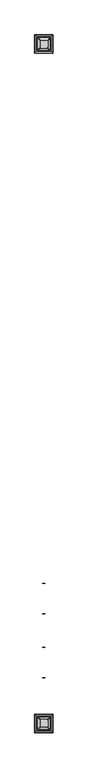
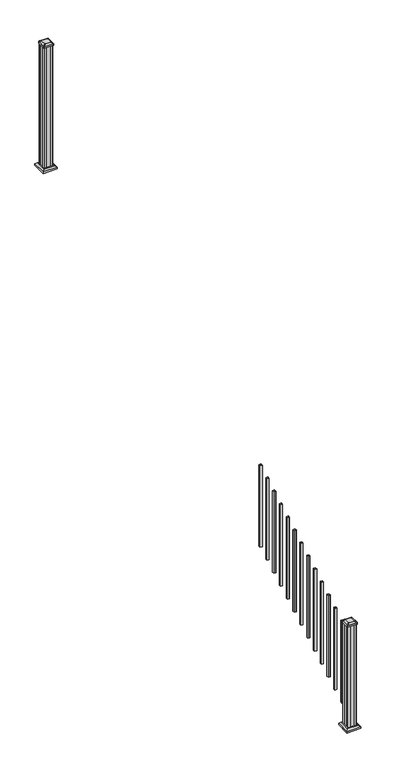
"""IFC4 building model written with IfcOpenShell, lengths in millimetres: railing geometry."""

from ifc_helpers import new_model, si_unit, point, frame, frame_2d, origin, place, context, project, spatial, polyline, circle_curve, trimmed, segment, composite_curve, outline, extrude, faceted_brep, source, transform, mapped, element, save
from ifc_brep_helpers import plane_surface, extruded_surface, advanced_brep


def railing_c140cbff(model_context):
    return source(origin(), model_context, "Body", "SolidModel", [
        extrude(outline(polyline([(7607.1192659, 3183.9180319), (7588.0692659, 3183.9180319), (7588.0692659, 3202.9680319), (7607.1192659, 3202.9680319), (7607.1192659, 3183.9180319)]), holes=[polyline([(7606.7223909, 3184.3149069), (7606.7223909, 3202.5711569), (7588.4661409, 3202.5711569), (7588.4661409, 3184.3149069), (7606.7223909, 3184.3149069)])]), frame((0.0, 0.0, 1056.7417114), z_axis=(0.0, 0.0, 1.0), x_axis=(1.0, 0.0, 0.0)), (0.0, 0.0, 1.0), 812.8041219),
        extrude(outline(polyline([(7607.1192659, 3072.7930319), (7588.0692659, 3072.7930319), (7588.0692659, 3091.8430319), (7607.1192659, 3091.8430319), (7607.1192659, 3072.7930319)]), holes=[polyline([(7606.7223909, 3073.1899069), (7606.7223909, 3091.4461569), (7588.4661409, 3091.4461569), (7588.4661409, 3073.1899069), (7606.7223909, 3073.1899069)])]), frame((0.0, 0.0, 995.0056003), z_axis=(0.0, 0.0, 1.0), x_axis=(1.0, 0.0, 0.0)), (0.0, 0.0, 1.0), 812.8041219),
        extrude(outline(polyline([(7607.1192659, 2961.6680319), (7588.0692659, 2961.6680319), (7588.0692659, 2980.7180319), (7607.1192659, 2980.7180319), (7607.1192659, 2961.6680319)]), holes=[polyline([(7606.7223909, 2962.0649069), (7606.7223909, 2980.3211569), (7588.4661409, 2980.3211569), (7588.4661409, 2962.0649069), (7606.7223909, 2962.0649069)])]), frame((0.0, 0.0, 933.2694892), z_axis=(0.0, 0.0, 1.0), x_axis=(1.0, 0.0, 0.0)), (0.0, 0.0, 1.0), 812.8041219),
        extrude(outline(polyline([(7607.1192659, 2850.5430319), (7588.0692659, 2850.5430319), (7588.0692659, 2869.5930319), (7607.1192659, 2869.5930319), (7607.1192659, 2850.5430319)]), holes=[polyline([(7606.7223909, 2850.9399069), (7606.7223909, 2869.1961569), (7588.4661409, 2869.1961569), (7588.4661409, 2850.9399069), (7606.7223909, 2850.9399069)])]), frame((0.0, 0.0, 871.5333781), z_axis=(0.0, 0.0, 1.0), x_axis=(1.0, 0.0, 0.0)), (0.0, 0.0, 1.0), 812.8041219),
        extrude(outline(polyline([(7607.1192659, 2739.4180319), (7588.0692659, 2739.4180319), (7588.0692659, 2758.4680319), (7607.1192659, 2758.4680319), (7607.1192659, 2739.4180319)]), holes=[polyline([(7606.7223909, 2739.8149069), (7606.7223909, 2758.0711569), (7588.4661409, 2758.0711569), (7588.4661409, 2739.8149069), (7606.7223909, 2739.8149069)])]), frame((0.0, 0.0, 809.797267), z_axis=(0.0, 0.0, 1.0), x_axis=(1.0, 0.0, 0.0)), (0.0, 0.0, 1.0), 812.8041219),
        extrude(outline(polyline([(7607.1192659, 2628.2930319), (7588.0692659, 2628.2930319), (7588.0692659, 2647.3430319), (7607.1192659, 2647.3430319), (7607.1192659, 2628.2930319)]), holes=[polyline([(7606.7223909, 2628.6899069), (7606.7223909, 2646.9461569), (7588.4661409, 2646.9461569), (7588.4661409, 2628.6899069), (7606.7223909, 2628.6899069)])]), frame((0.0, 0.0, 748.0611558), z_axis=(0.0, 0.0, 1.0), x_axis=(1.0, 0.0, 0.0)), (0.0, 0.0, 1.0), 812.8041219),
        extrude(outline(polyline([(7607.1192659, 2517.1680319), (7588.0692659, 2517.1680319), (7588.0692659, 2536.2180319), (7607.1192659, 2536.2180319), (7607.1192659, 2517.1680319)]), holes=[polyline([(7606.7223909, 2517.5649069), (7606.7223909, 2535.8211569), (7588.4661409, 2535.8211569), (7588.4661409, 2517.5649069), (7606.7223909, 2517.5649069)])]), frame((0.0, 0.0, 686.3250447), z_axis=(0.0, 0.0, 1.0), x_axis=(1.0, 0.0, 0.0)), (0.0, 0.0, 1.0), 812.8041219),
        extrude(outline(polyline([(7607.1192659, 2406.0430319), (7588.0692659, 2406.0430319), (7588.0692659, 2425.0930319), (7607.1192659, 2425.0930319), (7607.1192659, 2406.0430319)]), holes=[polyline([(7606.7223909, 2406.4399069), (7606.7223909, 2424.6961569), (7588.4661409, 2424.6961569), (7588.4661409, 2406.4399069), (7606.7223909, 2406.4399069)])]), frame((0.0, 0.0, 624.5889336), z_axis=(0.0, 0.0, 1.0), x_axis=(1.0, 0.0, 0.0)), (0.0, 0.0, 1.0), 812.8041219),
        extrude(outline(polyline([(7607.1192659, 2294.9180319), (7588.0692659, 2294.9180319), (7588.0692659, 2313.9680319), (7607.1192659, 2313.9680319), (7607.1192659, 2294.9180319)]), holes=[polyline([(7606.7223909, 2295.3149069), (7606.7223909, 2313.5711569), (7588.4661409, 2313.5711569), (7588.4661409, 2295.3149069), (7606.7223909, 2295.3149069)])]), frame((0.0, 0.0, 562.8528225), z_axis=(0.0, 0.0, 1.0), x_axis=(1.0, 0.0, 0.0)), (0.0, 0.0, 1.0), 812.8041219),
        extrude(outline(polyline([(7607.1192659, 2183.7930319), (7588.0692659, 2183.7930319), (7588.0692659, 2202.8430319), (7607.1192659, 2202.8430319), (7607.1192659, 2183.7930319)]), holes=[polyline([(7606.7223909, 2184.1899069), (7606.7223909, 2202.4461569), (7588.4661409, 2202.4461569), (7588.4661409, 2184.1899069), (7606.7223909, 2184.1899069)])]), frame((0.0, 0.0, 501.1167114), z_axis=(0.0, 0.0, 1.0), x_axis=(1.0, 0.0, 0.0)), (0.0, 0.0, 1.0), 812.8041219),
        extrude(outline(polyline([(7607.1192659, 2072.6680319), (7588.0692659, 2072.6680319), (7588.0692659, 2091.7180319), (7607.1192659, 2091.7180319), (7607.1192659, 2072.6680319)]), holes=[polyline([(7606.7223909, 2073.0649069), (7606.7223909, 2091.3211569), (7588.4661409, 2091.3211569), (7588.4661409, 2073.0649069), (7606.7223909, 2073.0649069)])]), frame((0.0, 0.0, 439.3806003), z_axis=(0.0, 0.0, 1.0), x_axis=(1.0, 0.0, 0.0)), (0.0, 0.0, 1.0), 812.8041219),
        extrude(outline(polyline([(7607.1192659, 1961.5430319), (7588.0692659, 1961.5430319), (7588.0692659, 1980.5930319), (7607.1192659, 1980.5930319), (7607.1192659, 1961.5430319)]), holes=[polyline([(7606.7223909, 1961.9399069), (7606.7223909, 1980.1961569), (7588.4661409, 1980.1961569), (7588.4661409, 1961.9399069), (7606.7223909, 1961.9399069)])]), frame((0.0, 0.0, 377.6444892), z_axis=(0.0, 0.0, 1.0), x_axis=(1.0, 0.0, 0.0)), (0.0, 0.0, 1.0), 812.8041219),
        extrude(outline(polyline([(7607.1192659, 1850.4180319), (7588.0692659, 1850.4180319), (7588.0692659, 1869.4680319), (7607.1192659, 1869.4680319), (7607.1192659, 1850.4180319)]), holes=[polyline([(7606.7223909, 1850.8149069), (7606.7223909, 1869.0711569), (7588.4661409, 1869.0711569), (7588.4661409, 1850.8149069), (7606.7223909, 1850.8149069)])]), frame((0.0, 0.0, 315.9083781), z_axis=(0.0, 0.0, 1.0), x_axis=(1.0, 0.0, 0.0)), (0.0, 0.0, 1.0), 812.8041219),
        extrude(outline(polyline([(7557.9067659, 6655.7805319), (7556.3192659, 6657.3680319), (7556.3192659, 6676.9895319), (7557.9067659, 6677.7515319), (7557.9067659, 6716.3595319), (7556.3192659, 6717.1215319), (7556.3192659, 6736.7430319), (7557.9067659, 6738.3305319), (7577.5282659, 6738.3305319), (7578.2902659, 6736.7430319), (7616.8982659, 6736.7430319), (7617.6602659, 6738.3305319), (7637.2817659, 6738.3305319), (7638.8692659, 6736.7430319), (7638.8692659, 6717.1215319), (7637.2817659, 6716.3595319), (7637.2817659, 6677.7515319), (7638.8692659, 6676.9895319), (7638.8692659, 6657.3680319), (7637.2817659, 6655.7805319), (7617.6602659, 6655.7805319), (7616.8982659, 6657.3680319), (7578.2902659, 6657.3680319), (7577.5282659, 6655.7805319), (7557.9067659, 6655.7805319)])), frame((0.0, 0.0, 2709.3333333), z_axis=(0.0, 0.0, 1.0), x_axis=(1.0, 0.0, 0.0)), (0.0, 0.0, 1.0), 1223.6281519),
        faceted_brep([(7650.1802034, 6644.4695944, 2737.9083333), (7650.1802034, 6749.6414694, 2737.9083333), (7545.0083284, 6749.6414694, 2737.9083333), (7545.0083284, 6644.4695944, 2737.9083333), (7664.2196565, 6630.4301413, 2724.5733333), (7530.9688753, 6630.4301413, 2724.5733333), (7530.9688753, 6763.6809225, 2724.5733333), (7664.2196565, 6763.6809225, 2724.5733333)], [[[0, 1, 2, 3]], [[4, 5, 6, 7]], [[4, 0, 3, 5]], [[5, 3, 2, 6]], [[6, 2, 1, 7]], [[7, 1, 0, 4]]]),
        extrude(outline(polyline([(7664.2196565, 6630.4301413), (7530.9688753, 6630.4301413), (7530.9688753, 6763.6809225), (7664.2196565, 6763.6809225), (7664.2196565, 6630.4301413)])), frame((0.0, 0.0, 2709.3333333), z_axis=(0.0, 0.0, 1.0), x_axis=(1.0, 0.0, 0.0)), (0.0, 0.0, 1.0), 15.24),
        advanced_brep(
        [(7571.7973909, 6668.0836569, 3961.5364852), (7623.3911409, 6668.0836569, 3961.5364852), (7626.5661409, 6671.2586569, 3961.5364852), (7626.5661409, 6722.8524069, 3961.5364852), (7623.3911409, 6726.0274069, 3961.5364852), (7571.7973909, 6726.0274069, 3961.5364852), (7568.6223909, 6722.8524069, 3961.5364852), (7568.6223909, 6671.2586569, 3961.5364852), (7555.5255159, 6651.8117819, 3950.2334852), (7552.3505159, 6654.9867819, 3950.2334852), (7552.3505159, 6739.1242819, 3950.2334852), (7555.5255159, 6742.2992819, 3950.2334852), (7639.6630159, 6742.2992819, 3950.2334852), (7642.8380159, 6739.1242819, 3950.2334852), (7642.8380159, 6654.9867819, 3950.2334852), (7639.6630159, 6651.8117819, 3950.2334852)],
        [
            (0, 1),
            (1, 2, circle_curve(frame((7623.3911409, 6671.2586569, 3961.5364852), z_axis=(0.0, 0.0, 1.0), x_axis=(0.0, 1.0, 0.0)), 3.175)),
            (2, 3),
            (3, 4, circle_curve(frame((7623.3911409, 6722.8524069, 3961.5364852), z_axis=(0.0, 0.0, 1.0), x_axis=(0.0, 1.0, 0.0)), 3.175)),
            (4, 5),
            (5, 6, circle_curve(frame((7571.7973909, 6722.8524069, 3961.5364852), z_axis=(0.0, 0.0, 1.0), x_axis=(0.0, 1.0, 0.0)), 3.175)),
            (6, 7),
            (7, 0, circle_curve(frame((7571.7973909, 6671.2586569, 3961.5364852), z_axis=(0.0, 0.0, 1.0), x_axis=(0.0, 1.0, 0.0)), 3.175)),
            (8, 9, circle_curve(frame((7555.5255159, 6654.9867819, 3950.2334852), z_axis=(0.0, 0.0, -1.0), x_axis=(0.0, 1.0, 0.0)), 3.175)),
            (9, 10),
            (10, 11, circle_curve(frame((7555.5255159, 6739.1242819, 3950.2334852), z_axis=(0.0, 0.0, -1.0), x_axis=(0.0, 1.0, 0.0)), 3.175)),
            (11, 12),
            (12, 13, circle_curve(frame((7639.6630159, 6739.1242819, 3950.2334852), z_axis=(0.0, 0.0, -1.0), x_axis=(0.0, 1.0, 0.0)), 3.175)),
            (13, 14),
            (14, 15, circle_curve(frame((7639.6630159, 6654.9867819, 3950.2334852), z_axis=(0.0, 0.0, -1.0), x_axis=(0.0, 1.0, 0.0)), 3.175)),
            (15, 8),
            (8, 0),
            (7, 9),
            (6, 10),
            (5, 11),
            (4, 12),
            (3, 13),
            (2, 14),
            (1, 15),
        ],
        [
            plane_surface(frame((7597.5942659, 6697.0555319, 3961.5364852), z_axis=(0.0, 0.0, 1.0), x_axis=(-1.0, 0.0, 0.0))),
            plane_surface(frame((7597.5942659, 6697.0555319, 3950.2334852), z_axis=(0.0, 0.0, -1.0), x_axis=(-1.0, 0.0, 0.0))),
            extruded_surface(trimmed(circle_curve(frame((7571.7973909, 6671.2586569, 3961.5364852), z_axis=(0.0, 0.0, -1.0), x_axis=(0.0, 1.0, 0.0)), 3.175), [point((7571.7973909, 6668.0836569, 3961.5364852))], [point((7568.6223909, 6671.2586569, 3961.5364852))], True, "CARTESIAN"), (-16.271875000000364, -16.271874999999454, -11.302999999999884), 25.637972638865996),
            plane_surface(frame((7552.3505159, 6697.0555319, 3950.2334852), z_axis=(-0.5705009161540687, 0.0, 0.8212969649690472), x_axis=(0.0, 1.0, 0.0))),
            extruded_surface(trimmed(circle_curve(frame((7571.7973909, 6722.8524069, 3961.5364852), z_axis=(0.0, 0.0, -1.0), x_axis=(0.0, 1.0, 0.0)), 3.175), [point((7568.6223909, 6722.8524069, 3961.5364852))], [point((7571.7973909, 6726.0274069, 3961.5364852))], True, "CARTESIAN"), (-16.271875000000364, 16.271875000000364, -11.302999999999884), 25.63797263886657),
            plane_surface(frame((7597.5942659, 6742.2992819, 3950.2334852), z_axis=(0.0, 0.5705009161540291, 0.8212969649690747), x_axis=(1.0, 0.0, 0.0))),
            extruded_surface(trimmed(circle_curve(frame((7623.3911409, 6722.8524069, 3961.5364852), z_axis=(0.0, 0.0, -1.0), x_axis=(0.0, 1.0, 0.0)), 3.175), [point((7623.3911409, 6726.0274069, 3961.5364852))], [point((7626.5661409, 6722.8524069, 3961.5364852))], True, "CARTESIAN"), (16.271874999999454, 16.271875000000364, -11.302999999999884), 25.637972638865996),
            plane_surface(frame((7642.8380159, 6697.0555319, 3950.2334852), z_axis=(0.5705009161540233, 0.0, 0.8212969649690787), x_axis=(0.0, -1.0, 0.0))),
            extruded_surface(trimmed(circle_curve(frame((7623.3911409, 6671.2586569, 3961.5364852), z_axis=(0.0, 0.0, -1.0), x_axis=(0.0, 1.0, 0.0)), 3.175), [point((7626.5661409, 6671.2586569, 3961.5364852))], [point((7623.3911409, 6668.0836569, 3961.5364852))], True, "CARTESIAN"), (16.271874999999454, -16.271874999999454, -11.302999999999884), 25.63797263886542),
            plane_surface(frame((7597.5942659, 6651.8117819, 3950.2334852), z_axis=(0.0, -0.570500916154034, 0.8212969649690713), x_axis=(-1.0, 0.0, 0.0))),
        ],
        [
            (0, [[1, 2, 3, 4, 5, 6, 7, 8]]),
            (1, [[9, 10, 11, 12, 13, 14, 15, 16]]),
            (2, [[17, -8, 18, -9]]),
            (3, [[-18, -7, 19, -10]]),
            (4, [[-19, -6, 20, -11]]),
            (5, [[-20, -5, 21, -12]]),
            (6, [[-21, -4, 22, -13]]),
            (7, [[-22, -3, 23, -14]]),
            (8, [[-23, -2, 24, -15]]),
            (9, [[-24, -1, -17, -16]]),
        ],
    ),
        extrude(outline(composite_curve([segment(trimmed(circle_curve(frame_2d((7555.5255159, 6654.9867819)), 3.175), [point((7555.5255159, 6651.8117819))], [point((7552.3505159, 6654.9867819))], False, "CARTESIAN"), True, "CONTINUOUS"), segment(polyline([(7552.3505159, 6654.9867819), (7552.3505159, 6739.1242819)]), True, "CONTINUOUS"), segment(trimmed(circle_curve(frame_2d((7555.5255159, 6739.1242819)), 3.175), [point((7552.3505159, 6739.1242819))], [point((7555.5255159, 6742.2992819))], False, "CARTESIAN"), True, "CONTINUOUS"), segment(polyline([(7555.5255159, 6742.2992819), (7639.6630159, 6742.2992819)]), True, "CONTINUOUS"), segment(trimmed(circle_curve(frame_2d((7639.6630159, 6739.1242819)), 3.175), [point((7639.6630159, 6742.2992819))], [point((7642.8380159, 6739.1242819))], False, "CARTESIAN"), True, "CONTINUOUS"), segment(polyline([(7642.8380159, 6739.1242819), (7642.8380159, 6654.9867819)]), True, "CONTINUOUS"), segment(trimmed(circle_curve(frame_2d((7639.6630159, 6654.9867819)), 3.175), [point((7642.8380159, 6654.9867819))], [point((7639.6630159, 6651.8117819))], False, "CARTESIAN"), True, "CONTINUOUS"), segment(polyline([(7639.6630159, 6651.8117819), (7555.5255159, 6651.8117819)]), True, "CONTINUOUS")], self_intersect=False)), frame((0.0, 0.0, 3932.9614852), z_axis=(0.0, 0.0, 1.0), x_axis=(1.0, 0.0, 0.0)), (0.0, 0.0, 1.0), 17.272),
        faceted_brep([(7650.1802034, 1685.1195944, 174.9777778), (7650.1802034, 1790.2914694, 174.9777778), (7545.0083284, 1790.2914694, 174.9777778), (7545.0083284, 1685.1195944, 174.9777778), (7664.2196565, 1671.0801413, 161.6427778), (7530.9688753, 1671.0801413, 161.6427778), (7530.9688753, 1804.3309225, 161.6427778), (7664.2196565, 1804.3309225, 161.6427778)], [[[0, 1, 2, 3]], [[4, 5, 6, 7]], [[4, 0, 3, 5]], [[5, 3, 2, 6]], [[6, 2, 1, 7]], [[7, 1, 0, 4]]]),
        extrude(outline(polyline([(7664.2196565, 1671.0801413), (7530.9688753, 1671.0801413), (7530.9688753, 1804.3309225), (7664.2196565, 1804.3309225), (7664.2196565, 1671.0801413)])), frame((0.0, 0.0, 146.4027778), z_axis=(0.0, 0.0, 1.0), x_axis=(1.0, 0.0, 0.0)), (0.0, 0.0, 1.0), 15.24),
        advanced_brep(
        [(7571.7973909, 1708.7336569, 1206.3420408), (7623.3911409, 1708.7336569, 1206.3420408), (7626.5661409, 1711.9086569, 1206.3420408), (7626.5661409, 1763.5024069, 1206.3420408), (7623.3911409, 1766.6774069, 1206.3420408), (7571.7973909, 1766.6774069, 1206.3420408), (7568.6223909, 1763.5024069, 1206.3420408), (7568.6223909, 1711.9086569, 1206.3420408), (7555.5255159, 1692.4617819, 1195.0390408), (7552.3505159, 1695.6367819, 1195.0390408), (7552.3505159, 1779.7742819, 1195.0390408), (7555.5255159, 1782.9492819, 1195.0390408), (7639.6630159, 1782.9492819, 1195.0390408), (7642.8380159, 1779.7742819, 1195.0390408), (7642.8380159, 1695.6367819, 1195.0390408), (7639.6630159, 1692.4617819, 1195.0390408)],
        [
            (0, 1),
            (1, 2, circle_curve(frame((7623.3911409, 1711.9086569, 1206.3420408), z_axis=(0.0, 0.0, 1.0), x_axis=(0.0, 1.0, 0.0)), 3.175)),
            (2, 3),
            (3, 4, circle_curve(frame((7623.3911409, 1763.5024069, 1206.3420408), z_axis=(0.0, 0.0, 1.0), x_axis=(0.0, 1.0, 0.0)), 3.175)),
            (4, 5),
            (5, 6, circle_curve(frame((7571.7973909, 1763.5024069, 1206.3420408), z_axis=(0.0, 0.0, 1.0), x_axis=(0.0, 1.0, 0.0)), 3.175)),
            (6, 7),
            (7, 0, circle_curve(frame((7571.7973909, 1711.9086569, 1206.3420408), z_axis=(0.0, 0.0, 1.0), x_axis=(0.0, 1.0, 0.0)), 3.175)),
            (8, 9, circle_curve(frame((7555.5255159, 1695.6367819, 1195.0390408), z_axis=(0.0, 0.0, -1.0), x_axis=(0.0, 1.0, 0.0)), 3.175)),
            (9, 10),
            (10, 11, circle_curve(frame((7555.5255159, 1779.7742819, 1195.0390408), z_axis=(0.0, 0.0, -1.0), x_axis=(0.0, 1.0, 0.0)), 3.175)),
            (11, 12),
            (12, 13, circle_curve(frame((7639.6630159, 1779.7742819, 1195.0390408), z_axis=(0.0, 0.0, -1.0), x_axis=(0.0, 1.0, 0.0)), 3.175)),
            (13, 14),
            (14, 15, circle_curve(frame((7639.6630159, 1695.6367819, 1195.0390408), z_axis=(0.0, 0.0, -1.0), x_axis=(0.0, 1.0, 0.0)), 3.175)),
            (15, 8),
            (8, 0),
            (7, 9),
            (6, 10),
            (5, 11),
            (4, 12),
            (3, 13),
            (2, 14),
            (1, 15),
        ],
        [
            plane_surface(frame((7597.5942659, 1737.7055319, 1206.3420408), z_axis=(0.0, 0.0, 1.0), x_axis=(-1.0, 0.0, 0.0))),
            plane_surface(frame((7597.5942659, 1737.7055319, 1195.0390408), z_axis=(0.0, 0.0, -1.0), x_axis=(-1.0, 0.0, 0.0))),
            extruded_surface(trimmed(circle_curve(frame((7571.7973909, 1711.9086569, 1206.3420408), z_axis=(0.0, 0.0, -1.0), x_axis=(0.0, 1.0, 0.0)), 3.175), [point((7571.7973909, 1708.7336569, 1206.3420408))], [point((7568.6223909, 1711.9086569, 1206.3420408))], True, "CARTESIAN"), (-16.271875000000364, -16.271875000000136, -11.302999999999884), 25.637972638866426),
            plane_surface(frame((7552.3505159, 1737.7055319, 1195.0390408), z_axis=(-0.5705009161540778, 0.0, 0.8212969649690408), x_axis=(0.0, 1.0, 0.0))),
            extruded_surface(trimmed(circle_curve(frame((7571.7973909, 1763.5024069, 1206.3420408), z_axis=(0.0, 0.0, -1.0), x_axis=(0.0, 1.0, 0.0)), 3.175), [point((7568.6223909, 1763.5024069, 1206.3420408))], [point((7571.7973909, 1766.6774069, 1206.3420408))], True, "CARTESIAN"), (-16.271875000000364, 16.27187499999991, -11.302999999999884), 25.637972638866284),
            plane_surface(frame((7597.5942659, 1782.9492819, 1195.0390408), z_axis=(0.0, 0.5705009161540291, 0.8212969649690747), x_axis=(1.0, 0.0, 0.0))),
            extruded_surface(trimmed(circle_curve(frame((7623.3911409, 1763.5024069, 1206.3420408), z_axis=(0.0, 0.0, -1.0), x_axis=(0.0, 1.0, 0.0)), 3.175), [point((7623.3911409, 1766.6774069, 1206.3420408))], [point((7626.5661409, 1763.5024069, 1206.3420408))], True, "CARTESIAN"), (16.271874999999454, 16.27187499999991, -11.302999999999884), 25.63797263886571),
            plane_surface(frame((7642.8380159, 1737.7055319, 1195.0390408), z_axis=(0.5705009161540142, 0.0, 0.8212969649690851), x_axis=(0.0, -1.0, 0.0))),
            extruded_surface(trimmed(circle_curve(frame((7623.3911409, 1711.9086569, 1206.3420408), z_axis=(0.0, 0.0, -1.0), x_axis=(0.0, 1.0, 0.0)), 3.175), [point((7626.5661409, 1711.9086569, 1206.3420408))], [point((7623.3911409, 1708.7336569, 1206.3420408))], True, "CARTESIAN"), (16.271874999999454, -16.271875000000136, -11.302999999999884), 25.63797263886585),
            plane_surface(frame((7597.5942659, 1692.4617819, 1195.0390408), z_axis=(0.0, -0.570500916154034, 0.8212969649690713), x_axis=(-1.0, 0.0, 0.0))),
        ],
        [
            (0, [[1, 2, 3, 4, 5, 6, 7, 8]]),
            (1, [[9, 10, 11, 12, 13, 14, 15, 16]]),
            (2, [[17, -8, 18, -9]]),
            (3, [[-18, -7, 19, -10]]),
            (4, [[-19, -6, 20, -11]]),
            (5, [[-20, -5, 21, -12]]),
            (6, [[-21, -4, 22, -13]]),
            (7, [[-22, -3, 23, -14]]),
            (8, [[-23, -2, 24, -15]]),
            (9, [[-24, -1, -17, -16]]),
        ],
    ),
        extrude(outline(composite_curve([segment(trimmed(circle_curve(frame_2d((7555.5255159, 1695.6367819)), 3.175), [point((7555.5255159, 1692.4617819))], [point((7552.3505159, 1695.6367819))], False, "CARTESIAN"), True, "CONTINUOUS"), segment(polyline([(7552.3505159, 1695.6367819), (7552.3505159, 1779.7742819)]), True, "CONTINUOUS"), segment(trimmed(circle_curve(frame_2d((7555.5255159, 1779.7742819)), 3.175), [point((7552.3505159, 1779.7742819))], [point((7555.5255159, 1782.9492819))], False, "CARTESIAN"), True, "CONTINUOUS"), segment(polyline([(7555.5255159, 1782.9492819), (7639.6630159, 1782.9492819)]), True, "CONTINUOUS"), segment(trimmed(circle_curve(frame_2d((7639.6630159, 1779.7742819)), 3.175), [point((7639.6630159, 1782.9492819))], [point((7642.8380159, 1779.7742819))], False, "CARTESIAN"), True, "CONTINUOUS"), segment(polyline([(7642.8380159, 1779.7742819), (7642.8380159, 1695.6367819)]), True, "CONTINUOUS"), segment(trimmed(circle_curve(frame_2d((7639.6630159, 1695.6367819)), 3.175), [point((7642.8380159, 1695.6367819))], [point((7639.6630159, 1692.4617819))], False, "CARTESIAN"), True, "CONTINUOUS"), segment(polyline([(7639.6630159, 1692.4617819), (7555.5255159, 1692.4617819)]), True, "CONTINUOUS")], self_intersect=False)), frame((0.0, 0.0, 1177.7670408), z_axis=(0.0, 0.0, 1.0), x_axis=(1.0, 0.0, 0.0)), (0.0, 0.0, 1.0), 17.272),
        extrude(outline(polyline([(7557.9067659, 1696.4305319), (7556.3192659, 1698.0180319), (7556.3192659, 1717.6395319), (7557.9067659, 1718.4015319), (7557.9067659, 1757.0095319), (7556.3192659, 1757.7715319), (7556.3192659, 1777.3930319), (7557.9067659, 1778.9805319), (7577.5282659, 1778.9805319), (7578.2902659, 1777.3930319), (7616.8982659, 1777.3930319), (7617.6602659, 1778.9805319), (7637.2817659, 1778.9805319), (7638.8692659, 1777.3930319), (7638.8692659, 1757.7715319), (7637.2817659, 1757.0095319), (7637.2817659, 1718.4015319), (7638.8692659, 1717.6395319), (7638.8692659, 1698.0180319), (7637.2817659, 1696.4305319), (7617.6602659, 1696.4305319), (7616.8982659, 1698.0180319), (7578.2902659, 1698.0180319), (7577.5282659, 1696.4305319), (7557.9067659, 1696.4305319)])), frame((0.0, 0.0, 146.4027778), z_axis=(0.0, 0.0, 1.0), x_axis=(1.0, 0.0, 0.0)), (0.0, 0.0, 1.0), 1031.364263),
    ])


if __name__ == "__main__":
    model = new_model("IFC4")
    model_context = context("Model", 3, world=origin())
    ifc_project = project(units=[si_unit("LENGTHUNIT", "METRE", prefix="MILLI")], contexts=[model_context])
    site = spatial("IfcSite", under=ifc_project)
    building = spatial("IfcBuilding", under=site)
    placement = place(None, origin())
    railing_shape = railing_c140cbff(model_context)
    element("IfcRailing", 1, at=placement, inside=building, context=model_context, shape_type="MappedRepresentation", body=[
        mapped(railing_shape, transform((0.0, 0.0, 0.0), x_axis=(1.0, 0.0, 0.0), y_axis=(0.0, 1.0, 0.0), z_axis=(0.0, 0.0, 1.0))),
    ])
    save(model, "model.ifc")
